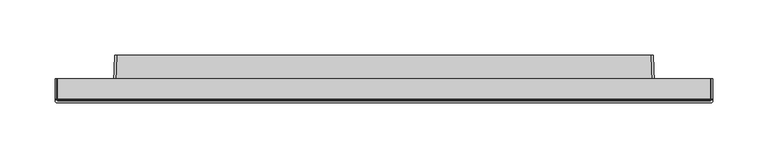
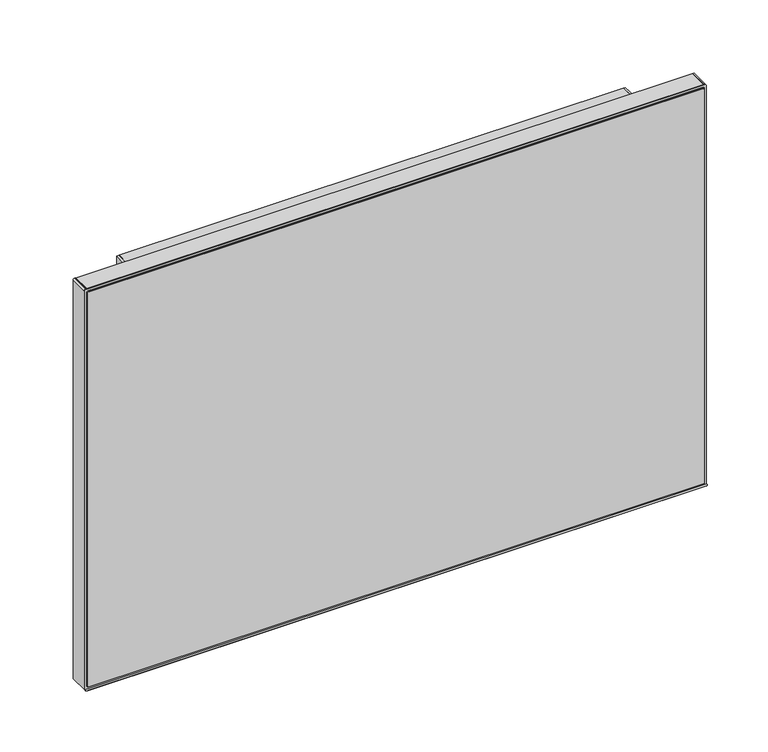
"""IFC4 building model written with IfcOpenShell, lengths in millimetres: furniture geometry."""

from ifc_helpers import new_model, si_unit, point, frame, frame_2d, origin, place, context, project, spatial, polyline, circle_curve, trimmed, segment, composite_curve, outline, extrude, source, transform, mapped, element, save


def furniture_1155c916(model_context):
    return source(origin(), model_context, "Body", "SweptSolid", [
        extrude(outline(composite_curve([segment(polyline([(298.4500271, -19.2024), (298.4214717, -20.0180395)]), True, "CONTINUOUS"), segment(trimmed(circle_curve(frame_2d((296.9511112, -20.0180395)), 1.4703605), [point((298.4214717, -20.0180395))], [point((296.9511112, -21.4884))], False, "CARTESIAN"), True, "CONTINUOUS"), segment(polyline([(296.9511112, -21.4884), (-296.9511112, -21.4884)]), True, "CONTINUOUS"), segment(trimmed(circle_curve(frame_2d((-296.9511112, -20.0180395)), 1.4703605), [point((-296.9511112, -21.4884))], [point((-298.4214717, -20.0180395))], False, "CARTESIAN"), True, "CONTINUOUS"), segment(polyline([(-298.4214717, -20.0180395), (-298.4500271, -19.2024), (298.4500271, -19.2024)]), True, "CONTINUOUS")], self_intersect=False)), frame((0.0, 0.0, 762.0), z_axis=(0.0, 0.0, 1.0), x_axis=(1.0, 0.0, 0.0)), (0.0, 0.0, 1.0), 0.381),
        extrude(outline(polyline([(296.0370277, -18.1863993), (-296.0370277, -18.1863993), (-296.0370277, 0.0), (296.0370277, 0.0), (296.0370277, -18.1863993)])), frame((0.0, 0.0, 1165.6059932), z_axis=(0.0, 0.0, 1.0), x_axis=(1.0, 0.0, 0.0)), (0.0, 0.0, 1.0), 2.4130068),
        extrude(outline(composite_curve([segment(polyline([(762.0, -298.4500271), (762.0, -296.0370277), (1168.019, -296.0370277), (1168.019, -296.9269732)]), True, "CONTINUOUS"), segment(trimmed(circle_curve(frame_2d((1166.4959462, -296.9269732)), 1.5230538), [point((1168.019, -296.9269732))], [point((1166.4959462, -298.4500271))], False, "CARTESIAN"), True, "CONTINUOUS"), segment(polyline([(1166.4959462, -298.4500271), (762.0, -298.4500271)]), True, "CONTINUOUS")], self_intersect=False)), frame((0.0, -18.1863993, 0.0), z_axis=(0.0, 1.0, 0.0), x_axis=(0.0, 0.0, 1.0)), (0.0, 0.0, 1.0), 18.1863993),
        extrude(outline(composite_curve([segment(polyline([(762.0, 298.4500271), (1166.4959462, 298.4500271)]), True, "CONTINUOUS"), segment(trimmed(circle_curve(frame_2d((1166.4959462, 296.9269732)), 1.5230538), [point((1166.4959462, 298.4500271))], [point((1168.019, 296.9269732))], False, "CARTESIAN"), True, "CONTINUOUS"), segment(polyline([(1168.019, 296.9269732), (1168.019, 296.0370277), (762.0, 296.0370277), (762.0, 298.4500271)]), True, "CONTINUOUS")], self_intersect=False)), frame((0.0, -18.1863993, 0.0), z_axis=(0.0, 1.0, 0.0), x_axis=(0.0, 0.0, 1.0)), (0.0, 0.0, 1.0), 18.1863993),
        extrude(outline(composite_curve([segment(trimmed(circle_curve(frame_2d((-248.0872202, -2.4454407)), 5.3343178), [point((-248.0872202, -7.7797585))], [point((-243.7954857, -5.6133993))], True, "CARTESIAN"), True, "CONTINUOUS"), segment(polyline([(-243.7954857, -5.6133993), (243.7954857, -5.6133993)]), True, "CONTINUOUS"), segment(trimmed(circle_curve(frame_2d((248.0872202, -2.4454407)), 5.3343178), [point((243.7954857, -5.6133993))], [point((248.0872202, -7.7797585))], True, "CARTESIAN"), True, "CONTINUOUS"), segment(polyline([(248.0872202, -7.7797585), (-248.0872202, -7.7797585)]), True, "CONTINUOUS")], self_intersect=False)), frame((0.0, 0.0, 1087.1925745), z_axis=(0.0, 0.0, 1.0), x_axis=(1.0, 0.0, 0.0)), (0.0, 0.0, 1.0), 78.4134187),
        extrude(outline(composite_curve([segment(polyline([(-241.9124688, 21.4884), (241.9124688, 21.4884), (242.7561626, -2.6319134)]), True, "CONTINUOUS"), segment(trimmed(circle_curve(frame_2d((248.0872202, -2.4454407)), 5.3343178), [point((242.7561626, -2.6319134))], [point((248.0872202, -7.7797585))], True, "CARTESIAN"), True, "CONTINUOUS"), segment(polyline([(248.0872202, -7.7797585), (286.242925, -7.7797585), (286.6404196, -19.2024), (-286.6404196, -19.2024), (-286.242925, -7.7797585), (-248.0872202, -7.7797585)]), True, "CONTINUOUS"), segment(trimmed(circle_curve(frame_2d((-248.0872202, -2.4454407)), 5.3343178), [point((-248.0872202, -7.7797585))], [point((-242.7561626, -2.6319134))], True, "CARTESIAN"), True, "CONTINUOUS"), segment(polyline([(-242.7561626, -2.6319134), (-241.9124688, 21.4884)]), True, "CONTINUOUS")], self_intersect=False)), frame((0.0, 0.0, 771.5006414), z_axis=(0.0, 0.0, 1.0), x_axis=(1.0, 0.0, 0.0)), (0.0, 0.0, 1.0), 2.1314735),
        extrude(outline(composite_curve([segment(polyline([(241.9124688, 21.4884), (242.7561626, -2.6319134)]), True, "CONTINUOUS"), segment(trimmed(circle_curve(frame_2d((248.0872202, -2.4454407)), 5.3343178), [point((242.7561626, -2.6319134))], [point((248.0872202, -7.7797585))], True, "CARTESIAN"), True, "CONTINUOUS"), segment(polyline([(248.0872202, -7.7797585), (286.242925, -7.7797585), (286.6404196, -19.2024), (-286.6404196, -19.2024), (-286.242925, -7.7797585), (-248.0872202, -7.7797585)]), True, "CONTINUOUS"), segment(trimmed(circle_curve(frame_2d((-248.0872202, -2.4454407)), 5.3343178), [point((-248.0872202, -7.7797585))], [point((-242.7561626, -2.6319134))], True, "CARTESIAN"), True, "CONTINUOUS"), segment(polyline([(-242.7561626, -2.6319134), (-241.9124688, 21.4884), (241.9124688, 21.4884)]), True, "CONTINUOUS")], self_intersect=False)), frame((0.0, 0.0, 1157.0730475), z_axis=(0.0, 0.0, 1.0), x_axis=(1.0, 0.0, 0.0)), (0.0, 0.0, 1.0), 2.1307929),
        extrude(outline(composite_curve([segment(polyline([(-286.6404196, -19.2024), (-288.9250265, -19.2024), (-288.5275319, -7.819618)]), True, "CONTINUOUS"), segment(trimmed(circle_curve(frame_2d((-286.242925, -7.899398)), 2.2859994), [point((-288.5275319, -7.819618))], [point((-286.244677, -5.6133993))], False, "CARTESIAN"), True, "CONTINUOUS"), segment(polyline([(-286.244677, -5.6133993), (-248.0867062, -5.6133993)]), True, "CONTINUOUS"), segment(trimmed(circle_curve(frame_2d((-248.0867062, -2.5656117)), 3.0477876), [point((-248.0867062, -5.6133993))], [point((-245.0407752, -2.6719784))], True, "CARTESIAN"), True, "CONTINUOUS"), segment(polyline([(-245.0407752, -2.6719784), (-244.1970722, 21.4884), (-241.9124688, 21.4884), (-242.7561626, -2.6319134)]), True, "CONTINUOUS"), segment(trimmed(circle_curve(frame_2d((-248.0872202, -2.4454407)), 5.3343178), [point((-242.7561626, -2.6319134))], [point((-248.0872202, -7.7797585))], False, "CARTESIAN"), True, "CONTINUOUS"), segment(polyline([(-248.0872202, -7.7797585), (-286.242925, -7.7797585), (-286.6404196, -19.2024)]), True, "CONTINUOUS")], self_intersect=False)), frame((0.0, 0.0, 771.5006414), z_axis=(0.0, 0.0, 1.0), x_axis=(1.0, 0.0, 0.0)), (0.0, 0.0, 1.0), 387.703199),
        extrude(outline(composite_curve([segment(polyline([(286.6404196, -19.2024), (286.242925, -7.7797585), (248.0872202, -7.7797585)]), True, "CONTINUOUS"), segment(trimmed(circle_curve(frame_2d((248.0872202, -2.4454407)), 5.3343178), [point((248.0872202, -7.7797585))], [point((242.7561626, -2.6319134))], False, "CARTESIAN"), True, "CONTINUOUS"), segment(polyline([(242.7561626, -2.6319134), (241.9124688, 21.4884), (244.1970722, 21.4884), (245.0407752, -2.6719784)]), True, "CONTINUOUS"), segment(trimmed(circle_curve(frame_2d((248.0867062, -2.5656117)), 3.0477876), [point((245.0407752, -2.6719784))], [point((248.0867062, -5.6133993))], True, "CARTESIAN"), True, "CONTINUOUS"), segment(polyline([(248.0867062, -5.6133993), (286.244677, -5.6133993)]), True, "CONTINUOUS"), segment(trimmed(circle_curve(frame_2d((286.242925, -7.899398)), 2.2859994), [point((286.244677, -5.6133993))], [point((288.5275319, -7.819618))], False, "CARTESIAN"), True, "CONTINUOUS"), segment(polyline([(288.5275319, -7.819618), (288.9250265, -19.2024), (286.6404196, -19.2024)]), True, "CONTINUOUS")], self_intersect=False)), frame((0.0, 0.0, 771.5006414), z_axis=(0.0, 0.0, 1.0), x_axis=(1.0, 0.0, 0.0)), (0.0, 0.0, 1.0), 387.703199),
        extrude(outline(composite_curve([segment(polyline([(1165.9870019, 294.893964), (1165.9870019, -294.8940288)]), True, "CONTINUOUS"), segment(trimmed(circle_curve(frame_2d((1164.4630034, -294.8940288)), 1.5239985), [point((1165.9870019, -294.8940288))], [point((1164.4630034, -296.4180273))], False, "CARTESIAN"), True, "CONTINUOUS"), segment(polyline([(1164.4630034, -296.4180273), (765.5306002, -296.4180273)]), True, "CONTINUOUS"), segment(trimmed(circle_curve(frame_2d((765.5306002, -294.8940269)), 1.5240004), [point((765.5306002, -296.4180273))], [point((764.0065998, -294.8940269))], False, "CARTESIAN"), True, "CONTINUOUS"), segment(polyline([(764.0065998, -294.8940269), (764.0065998, 294.893964)]), True, "CONTINUOUS"), segment(trimmed(circle_curve(frame_2d((765.5305983, 294.893964)), 1.5239985), [point((764.0065998, 294.893964))], [point((765.5305983, 296.4179626))], False, "CARTESIAN"), True, "CONTINUOUS"), segment(polyline([(765.5305983, 296.4179626), (1164.4630034, 296.4179626)]), True, "CONTINUOUS"), segment(trimmed(circle_curve(frame_2d((1164.4630034, 294.893964)), 1.5239985), [point((1164.4630034, 296.4179626))], [point((1165.9870019, 294.893964))], False, "CARTESIAN"), True, "CONTINUOUS")], self_intersect=False), holes=[polyline([(1159.2038404, -288.9250265), (1159.2038404, 288.9249606), (771.5006414, 288.9249606), (771.5006414, -288.9250265), (1159.2038404, -288.9250265)])]), frame((0.0, -19.2024, 0.0), z_axis=(0.0, 1.0, 0.0), x_axis=(0.0, 0.0, 1.0)), (0.0, 0.0, 1.0), 1.0160007),
        extrude(outline(composite_curve([segment(polyline([(764.3875998, -294.8940273), (764.3875998, 296.0370277), (1164.4629307, 296.0370277)]), True, "CONTINUOUS"), segment(trimmed(circle_curve(frame_2d((1164.4629307, 294.8939652)), 1.1430625), [point((1164.4629307, 296.0370277))], [point((1165.6059932, 294.8939652))], False, "CARTESIAN"), True, "CONTINUOUS"), segment(polyline([(1165.6059932, 294.8939652), (1165.6059932, -294.8940378)]), True, "CONTINUOUS"), segment(trimmed(circle_curve(frame_2d((1164.4630034, -294.8940378)), 1.1429898), [point((1165.6059932, -294.8940378))], [point((1164.4630034, -296.0370277))], False, "CARTESIAN"), True, "CONTINUOUS"), segment(polyline([(1164.4630034, -296.0370277), (765.5306002, -296.0370277)]), True, "CONTINUOUS"), segment(trimmed(circle_curve(frame_2d((765.5306002, -294.8940273)), 1.1430003), [point((765.5306002, -296.0370277))], [point((764.3875998, -294.8940273))], False, "CARTESIAN"), True, "CONTINUOUS")], self_intersect=False)), frame((0.0, -20.0180109, 0.0), z_axis=(0.0, 1.0, 0.0), x_axis=(0.0, 0.0, 1.0)), (0.0, 0.0, 1.0), 0.8156109),
        extrude(outline(composite_curve([segment(trimmed(circle_curve(frame_2d((1166.4959462, -296.9269732)), 1.5230538), [point((1168.019, -296.9269732))], [point((1166.4959462, -298.4500271))], False, "CARTESIAN"), True, "CONTINUOUS"), segment(polyline([(1166.4959462, -298.4500271), (762.381, -298.4500271), (762.381, 298.4500271), (1166.4959462, 298.4500271)]), True, "CONTINUOUS"), segment(trimmed(circle_curve(frame_2d((1166.4959462, 296.9269732)), 1.5230538), [point((1166.4959462, 298.4500271))], [point((1168.019, 296.9269732))], False, "CARTESIAN"), True, "CONTINUOUS"), segment(polyline([(1168.019, 296.9269732), (1168.019, -296.9269732)]), True, "CONTINUOUS")], self_intersect=False), holes=[composite_curve([segment(trimmed(circle_curve(frame_2d((765.5305983, 294.893964)), 1.5239985), [point((765.5305983, 296.4179626))], [point((764.0065998, 294.893964))], True, "CARTESIAN"), True, "CONTINUOUS"), segment(polyline([(764.0065998, 294.893964), (764.0065998, -294.8940269)]), True, "CONTINUOUS"), segment(trimmed(circle_curve(frame_2d((765.5306002, -294.8940269)), 1.5240004), [point((764.0065998, -294.8940269))], [point((765.5306002, -296.4180273))], True, "CARTESIAN"), True, "CONTINUOUS"), segment(polyline([(765.5306002, -296.4180273), (1164.4630034, -296.4180273)]), True, "CONTINUOUS"), segment(trimmed(circle_curve(frame_2d((1164.4630034, -294.8940288)), 1.5239985), [point((1164.4630034, -296.4180273))], [point((1165.9870019, -294.8940288))], True, "CARTESIAN"), True, "CONTINUOUS"), segment(polyline([(1165.9870019, -294.8940288), (1165.9870019, 294.893964)]), True, "CONTINUOUS"), segment(trimmed(circle_curve(frame_2d((1164.4630034, 294.893964)), 1.5239985), [point((1165.9870019, 294.893964))], [point((1164.4630034, 296.4179626))], True, "CARTESIAN"), True, "CONTINUOUS"), segment(polyline([(1164.4630034, 296.4179626), (765.5305983, 296.4179626)]), True, "CONTINUOUS")], self_intersect=False)]), frame((0.0, -19.2024, 0.0), z_axis=(0.0, 1.0, 0.0), x_axis=(0.0, 0.0, 1.0)), (0.0, 0.0, 1.0), 1.0160007),
    ])


if __name__ == "__main__":
    model = new_model("IFC4")
    model_context = context("Model", 3, world=origin())
    ifc_project = project(units=[si_unit("LENGTHUNIT", "METRE", prefix="MILLI")], contexts=[model_context])
    site = spatial("IfcSite", under=ifc_project)
    building = spatial("IfcBuilding", under=site)
    placement = place(None, origin())
    furniture_shape = furniture_1155c916(model_context)
    element("IfcFurniture", 1, at=placement, inside=building, context=model_context, shape_type="MappedRepresentation", body=[
        mapped(furniture_shape, transform((0.0, 0.0, 0.0), x_axis=(1.0, 0.0, 0.0), y_axis=(0.0, 1.0, 0.0), z_axis=(0.0, 0.0, 1.0))),
    ])
    save(model, "model.ifc")
